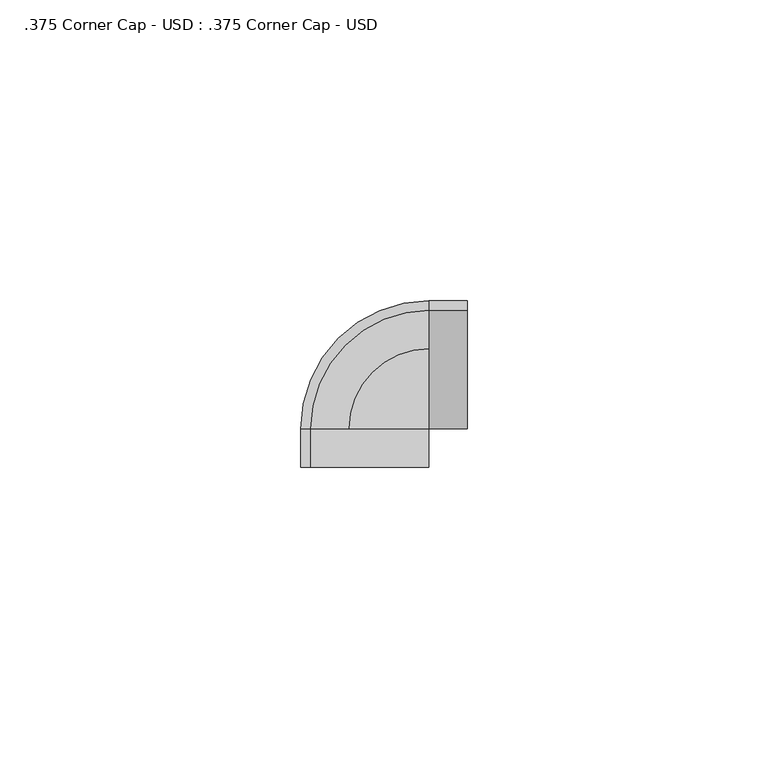
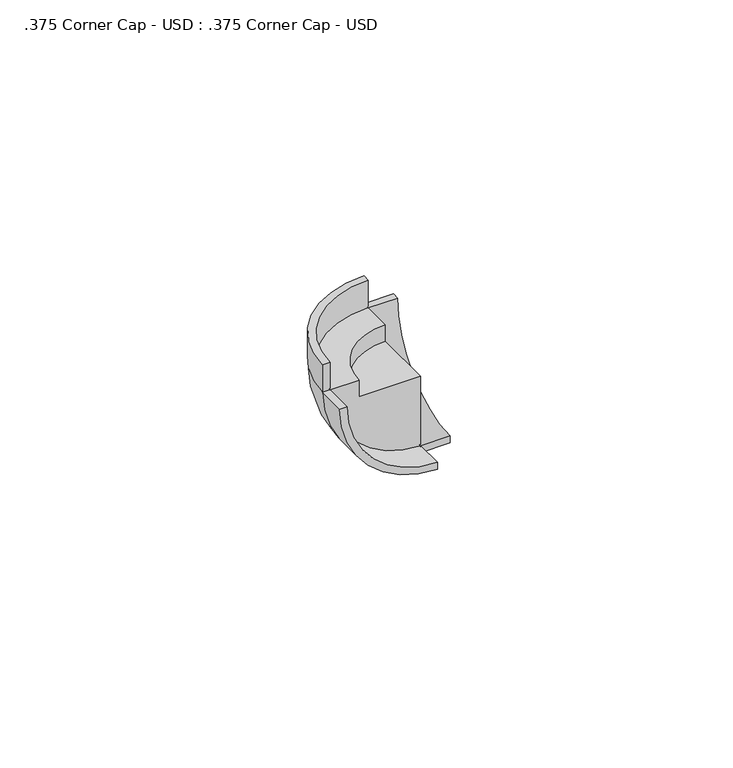
"""IFC4 building model written with IfcOpenShell, lengths in millimetres: proxy geometry, .375 Corner Cap - USD : .375 Corner Cap - USD."""

from ifc_helpers import new_model, si_unit, point, frame, origin, place, context, project, spatial, polyline, circle_curve, ellipse_curve, trimmed, source, transform, mapped, element, save
from ifc_brep_helpers import plane_surface, cylinder_surface, revolved_surface, advanced_brep


def proxy_375_corner_cap_usd_375_corner_cap_usd_9d813aa4(model_context):
    return source(origin(), model_context, "Body", "AdvancedBrep", [
        advanced_brep(
        [(6.35, 21.2725, -6.35), (6.35, 19.685, -6.35), (6.35, 0.0, -26.035), (6.35, 0.0, -27.6225), (0.0, 21.2725, -6.35), (0.0, 19.685, -6.35), (-13.335, 0.0, -6.35), (0.0, 13.335, -6.35), (-19.685, 0.0, -6.35), (-21.2725, -6.35, -6.35), (-19.685, -6.35, -6.35), (-21.2725, 0.0, -6.35), (0.0, 0.0, -26.035), (0.0, 0.0, -27.6225), (0.0, 0.0, -10.1596411), (-13.335, 0.0, -10.1596411), (0.0, 13.335, -10.1596411), (0.0, -6.35, -27.6225), (0.0, -6.35, -26.035), (0.0, 21.2725, 0.0), (-21.2725, 0.0, 0.0), (-19.685, 0.0, 0.0), (0.0, 19.685, 0.0)],
        [
            (0, 1),
            (1, 2, circle_curve(frame((6.35, 0.0, -6.35), z_axis=(-1.0, 0.0, 0.0), x_axis=(0.0, 1.0, 0.0)), 19.685)),
            (2, 3),
            (3, 0, circle_curve(frame((6.35, 0.0, -6.35), z_axis=(1.0, 0.0, 0.0), x_axis=(0.0, 1.0, 0.0)), 21.2725)),
            (0, 4),
            (4, 5),
            (5, 1),
            (6, 7, circle_curve(frame((0.0, 0.0, -6.35), z_axis=(0.0, 0.0, -1.0), x_axis=(0.0, 1.0, 0.0)), 13.335)),
            (7, 5),
            (5, 8, circle_curve(frame((0.0, 0.0, -6.35), z_axis=(0.0, 0.0, 1.0), x_axis=(-1.0, 0.0, 0.0)), 19.685)),
            (8, 6),
            (9, 10),
            (10, 8),
            (8, 11),
            (11, 9),
            (5, 12, circle_curve(frame((0.0, 0.0, -6.35), z_axis=(-1.0, 0.0, 0.0), x_axis=(0.0, 1.0, 0.0)), 19.685)),
            (12, 2),
            (12, 13),
            (13, 3),
            (14, 15),
            (15, 6),
            (8, 12, circle_curve(frame((0.0, 0.0, -6.35), z_axis=(0.0, -1.0, 0.0), x_axis=(-1.0, 0.0, 0.0)), 19.685)),
            (12, 14),
            (13, 4, circle_curve(frame((0.0, 0.0, -6.35), z_axis=(1.0, 0.0, 0.0), x_axis=(0.0, 1.0, 0.0)), 21.2725)),
            (7, 16),
            (16, 14),
            (13, 11, circle_curve(frame((0.0, 0.0, -6.35), z_axis=(0.0, 1.0, 0.0), x_axis=(-1.0, 0.0, 0.0)), 21.2725)),
            (11, 4, circle_curve(frame((0.0, 0.0, -6.35), z_axis=(0.0, 0.0, -1.0), x_axis=(0.0, 1.0, 0.0)), 21.2725)),
            (15, 16, circle_curve(frame((0.0, 0.0, -10.1596411), z_axis=(0.0, 0.0, -1.0), x_axis=(0.0, 1.0, 0.0)), 13.335)),
            (17, 18),
            (18, 10, circle_curve(frame((0.0, -6.35, -6.35), z_axis=(0.0, 1.0, 0.0), x_axis=(-1.0, 0.0, 0.0)), 19.685)),
            (9, 17, circle_curve(frame((0.0, -6.35, -6.35), z_axis=(0.0, -1.0, 0.0), x_axis=(-1.0, 0.0, 0.0)), 21.2725)),
            (17, 13),
            (12, 18),
            (19, 20, circle_curve(frame((0.0, 0.0, 0.0), z_axis=(0.0, 0.0, 1.0), x_axis=(-1.0, 0.0, 0.0)), 21.2725)),
            (20, 21),
            (21, 22, circle_curve(frame((0.0, 0.0, 0.0), z_axis=(0.0, 0.0, -1.0), x_axis=(-1.0, 0.0, 0.0)), 19.685)),
            (22, 19),
            (19, 4),
            (11, 20),
            (8, 21),
            (5, 22),
        ],
        [
            plane_surface(frame((6.35, 21.2725, -6.35), z_axis=(1.0, 0.0, 0.0), x_axis=(0.0, -1.0, 0.0))),
            plane_surface(frame((6.35, 21.2725, -6.35), z_axis=(0.0, 0.0, 1.0), x_axis=(-1.0, 0.0, 0.0))),
            revolved_surface(polyline([(0.0, 19.685, -6.35), (6.35, 19.685, -6.35)]), (0.0, 0.0, -6.35), (-1.0, 0.0, 0.0)),
            plane_surface(frame((6.35, 0.0, -26.035), z_axis=(0.0, -1.0, 0.0), x_axis=(-1.0, 0.0, 0.0))),
            cylinder_surface(frame((0.0, 0.0, -6.35), z_axis=(1.0, 0.0, 0.0), x_axis=(0.0, 1.0, 0.0)), 21.2725),
            plane_surface(frame((0.0, 0.0, -38.1), z_axis=(1.0, 0.0, 0.0), x_axis=(0.0, 1.0, 0.0))),
            revolved_surface(trimmed(ellipse_curve(frame((0.0, 0.0, -6.35), z_axis=(1.0, 0.0, 0.0), x_axis=(0.0, 1.0, 0.0)), 21.2725, 21.2725), [point((0.0, 0.0, -27.6225))], [point((0.0, 21.2725, -6.35))], True, "CARTESIAN"), (0.0, 0.0, -38.1), (0.0, 0.0, 1.0)),
            revolved_surface(polyline([(0.0, 13.335, -6.350000000000001), (0.0, 13.335, -10.159641100000002)]), (0.0, 0.0, -38.1), (0.0, 0.0, 1.0)),
            plane_surface(frame((0.0, 0.0, -10.1596411), z_axis=(0.0, 0.0, 1.0), x_axis=(0.0, 1.0, 0.0))),
            plane_surface(frame((0.0, -6.35, -27.6225), z_axis=(0.0, -1.0, 0.0), x_axis=(0.0, 0.0, 1.0))),
            plane_surface(frame((0.0, -6.35, -27.6225), z_axis=(1.0, 0.0, 0.0), x_axis=(0.0, 1.0, 0.0))),
            revolved_surface(polyline([(-19.685, 0.0, -6.35), (-19.685, -6.35, -6.35)]), (0.0, 0.0, -6.35), (0.0, 1.0, 0.0)),
            cylinder_surface(frame((0.0, 0.0, -6.35), z_axis=(0.0, -1.0, 0.0), x_axis=(-1.0, 0.0, 0.0)), 21.2725),
            plane_surface(frame((-21.2725, 0.0, 0.0), z_axis=(0.0, 0.0, 1.0), x_axis=(0.0, -1.0, 0.0))),
            cylinder_surface(frame((0.0, 0.0, -6.35), z_axis=(0.0, 0.0, 1.0), x_axis=(-1.0, 0.0, 0.0)), 21.2725),
            plane_surface(frame((-21.2725, 0.0, 0.0), z_axis=(0.0, -1.0, 0.0), x_axis=(0.0, 0.0, -1.0))),
            revolved_surface(polyline([(-19.685, 0.0, -6.35), (-19.685, 0.0, 0.0)]), (0.0, 0.0, -6.35), (0.0, 0.0, -1.0)),
            plane_surface(frame((0.0, 19.685, 0.0), z_axis=(1.0, 0.0, 0.0), x_axis=(0.0, 0.0, -1.0))),
        ],
        [
            (0, [[1, 2, 3, 4]]),
            (1, [[-1, 5, 6, 7]]),
            (1, [[8, 9, 10, 11]]),
            (1, [[12, 13, 14, 15]]),
            (2, [[-2, -7, 16, 17]]),
            (3, [[-3, -17, 18, 19]]),
            (3, [[20, 21, -11, 22, 23]]),
            (4, [[-4, -19, 24, -5]]),
            (5, [[25, 26, -23, -16, -9]]),
            (6, [[-24, 27, 28]]),
            (7, [[-25, -8, -21, 29]]),
            (8, [[-26, -29, -20]]),
            (9, [[30, 31, -12, 32]]),
            (10, [[-30, 33, -18, 34]]),
            (11, [[-31, -34, -22, -13]]),
            (12, [[-32, -15, -27, -33]]),
            (13, [[35, 36, 37, 38]]),
            (14, [[-35, 39, -28, 40]]),
            (15, [[-36, -40, -14, 41]]),
            (16, [[-37, -41, -10, 42]]),
            (17, [[-38, -42, -6, -39]]),
        ],
    ),
    ])


if __name__ == "__main__":
    model = new_model("IFC4")
    model_context = context("Model", 3, world=origin())
    ifc_project = project(units=[si_unit("LENGTHUNIT", "METRE", prefix="MILLI")], contexts=[model_context])
    site = spatial("IfcSite", under=ifc_project)
    building = spatial("IfcBuilding", under=site)
    placement = place(None, origin())
    proxy_375_corner_cap_usd_375_corner_cap_usd_shape = proxy_375_corner_cap_usd_375_corner_cap_usd_9d813aa4(model_context)
    element("IfcBuildingElementProxy", 1, Name=".375 Corner Cap - USD : .375 Corner Cap - USD", ObjectType=".375 Corner Cap - USD : .375 Corner Cap - USD", at=placement, inside=building, context=model_context, shape_type="MappedRepresentation", body=[
        mapped(proxy_375_corner_cap_usd_375_corner_cap_usd_shape, transform((0.0, 0.0, 0.0), x_axis=(1.0, 0.0, 0.0), y_axis=(0.0, 1.0, 0.0), z_axis=(0.0, 0.0, 1.0))),
    ])
    save(model, "model.ifc")
